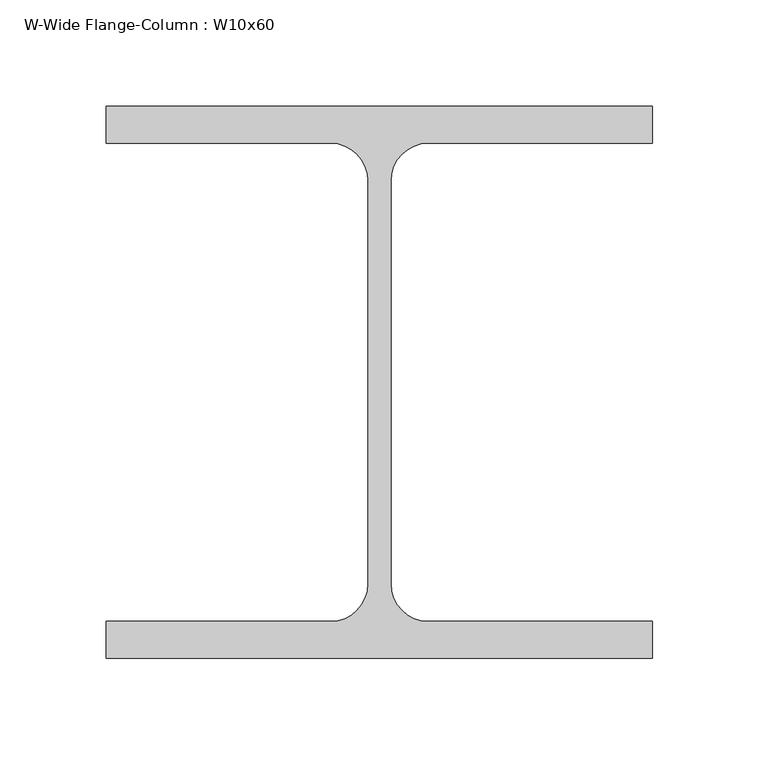
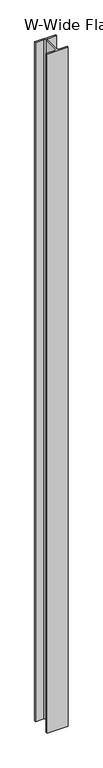
"""IFC4 building model written with IfcOpenShell, lengths in millimetres: column geometry, W-Wide Flange-Column : W10x60."""

from ifc_helpers import new_model, si_unit, point, frame, frame_2d, origin, place, context, project, spatial, polyline, circle_curve, trimmed, segment, composite_curve, outline, extrude, source, transform, mapped, element, save


def w_wide_flange_column_w10x60_c4a773fe(model_context):
    return source(origin(), model_context, "Body", "SweptSolid", [
        extrude(outline(composite_curve([segment(polyline([(128.27, 129.54), (128.27, 112.268), (22.987, 112.268)]), True, "CONTINUOUS"), segment(trimmed(circle_curve(frame_2d((22.987, 94.615)), 17.653), [point((22.987, 112.268))], [point((5.334, 94.615))], True, "CARTESIAN"), True, "CONTINUOUS"), segment(polyline([(5.334, 94.615), (5.334, -94.615)]), True, "CONTINUOUS"), segment(trimmed(circle_curve(frame_2d((22.987, -94.615)), 17.653), [point((5.334, -94.615))], [point((22.987, -112.268))], True, "CARTESIAN"), True, "CONTINUOUS"), segment(polyline([(22.987, -112.268), (128.27, -112.268), (128.27, -129.54), (-128.27, -129.54), (-128.27, -112.268), (-22.987, -112.268)]), True, "CONTINUOUS"), segment(trimmed(circle_curve(frame_2d((-22.987, -94.615)), 17.653), [point((-22.987, -112.268))], [point((-5.334, -94.615))], True, "CARTESIAN"), True, "CONTINUOUS"), segment(polyline([(-5.334, -94.615), (-5.334, 94.615)]), True, "CONTINUOUS"), segment(trimmed(circle_curve(frame_2d((-22.987, 94.615)), 17.653), [point((-5.334, 94.615))], [point((-22.987, 112.268))], True, "CARTESIAN"), True, "CONTINUOUS"), segment(polyline([(-22.987, 112.268), (-128.27, 112.268), (-128.27, 129.54), (128.27, 129.54)]), True, "CONTINUOUS")], self_intersect=False)), frame((0.0, 0.0, 5791.2), z_axis=(0.0, 0.0, 1.0), x_axis=(1.0, 0.0, 0.0)), (0.0, 0.0, 1.0), 8686.8),
    ])


if __name__ == "__main__":
    model = new_model("IFC4")
    model_context = context("Model", 3, world=origin())
    ifc_project = project(units=[si_unit("LENGTHUNIT", "METRE", prefix="MILLI")], contexts=[model_context])
    site = spatial("IfcSite", under=ifc_project)
    building = spatial("IfcBuilding", under=site)
    placement = place(None, origin())
    w_wide_flange_column_w10x60_shape = w_wide_flange_column_w10x60_c4a773fe(model_context)
    element("IfcColumn", 1, ObjectType="W-Wide Flange-Column : W10x60", at=placement, inside=building, context=model_context, shape_type="MappedRepresentation", body=[
        mapped(w_wide_flange_column_w10x60_shape, transform((0.0, 0.0, 0.0), x_axis=(1.0, 0.0, 0.0), y_axis=(0.0, 1.0, 0.0), z_axis=(0.0, 0.0, 1.0))),
    ])
    save(model, "model.ifc")
